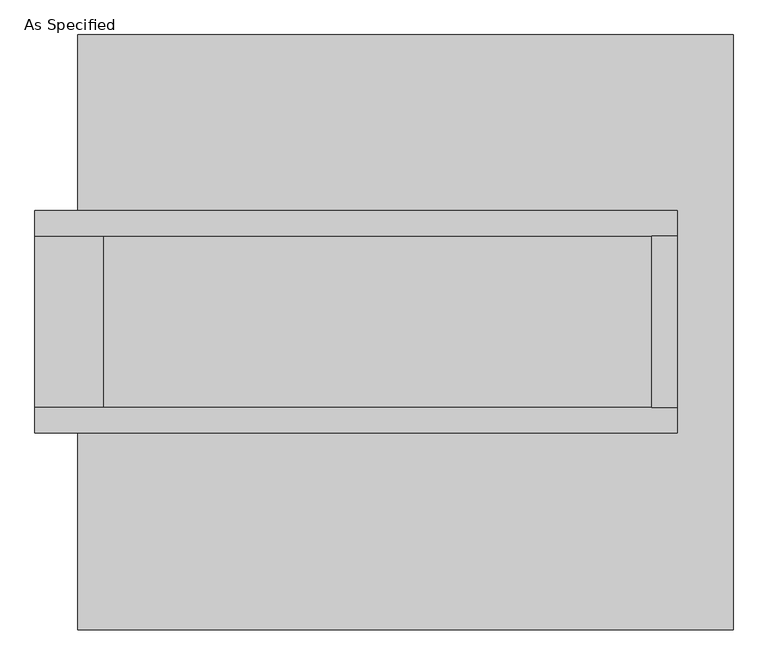
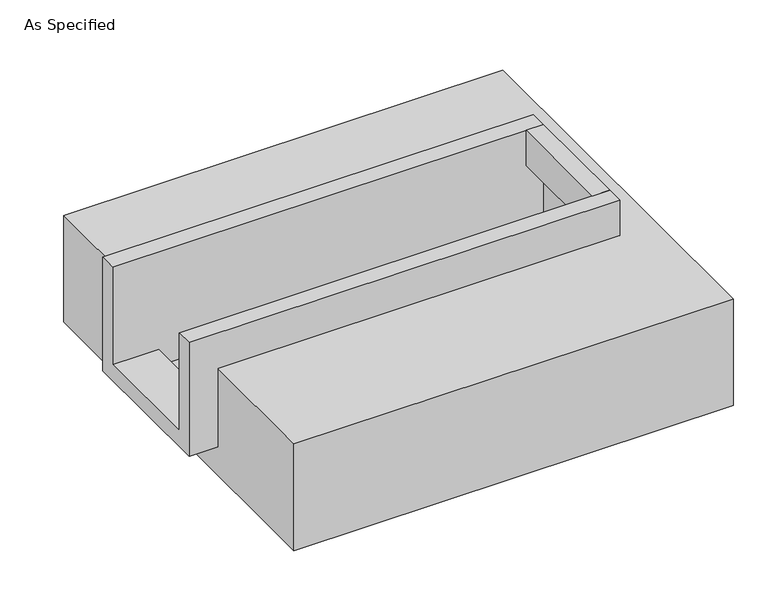
"""IFC4 building model written with IfcOpenShell, lengths in millimetres: proxy geometry, As Specified."""

from ifc_helpers import new_model, si_unit, frame, origin, place, context, project, spatial, polyline, outline, extrude, faceted_brep, source, transform, mapped, element, save


def as_specified_a2c2e3ce(model_context):
    return source(origin(), model_context, "Body", "SolidModel", [
        extrude(outline(polyline([(730.25, 285.75), (806.45, 285.75), (806.45, -222.25), (730.25, -222.25), (730.25, 285.75)])), frame((0.0, 0.0, -25.4), z_axis=(0.0, 0.0, 1.0), x_axis=(1.0, 0.0, 0.0)), (0.0, 0.0, 1.0), 165.1),
        faceted_brep([(806.45, 285.75, 139.7), (806.45, 285.75, -317.5), (806.45, -222.25, -317.5), (806.45, -222.25, 139.7), (806.45, -298.45, 139.7), (806.45, -298.45, -393.7), (806.45, 361.95, -393.7), (806.45, 361.95, 139.7), (-1098.55, 285.75, 139.7), (-1098.55, 361.95, 139.7), (-1098.55, 361.95, -393.7), (-1098.55, -298.45, -393.7), (-1098.55, -298.45, 139.7), (-1098.55, -222.25, 139.7), (-1098.55, -222.25, -317.5), (-1098.55, 285.75, -317.5), (-895.35, 285.75, -393.7), (-895.35, -222.25, -393.7), (730.25, -222.25, -393.7), (730.25, 285.75, -393.7), (730.25, -222.25, -317.5), (-895.35, -222.25, -317.5), (730.25, 285.75, -317.5), (-895.35, 285.75, -317.5)], [[[0, 1, 2, 3, 4, 5, 6, 7]], [[8, 9, 10, 11, 12, 13, 14, 15]], [[0, 7, 9, 8]], [[7, 6, 10, 9]], [[6, 5, 11, 10], [16, 17, 18, 19]], [[4, 3, 13, 12]], [[3, 2, 20, 18, 17, 21, 14, 13]], [[2, 1, 22, 20]], [[15, 14, 21, 23]], [[1, 0, 8, 15, 23, 16, 19, 22]], [[21, 17, 16, 23]], [[18, 20, 22, 19]], [[5, 4, 12, 11]]]),
        faceted_brep([(-971.55, 882.65, -523.9742188), (971.55, 882.65, -523.9742188), (971.55, -882.65, -523.9742188), (-971.55, -882.65, -523.9742188), (971.55, 882.65, -25.4), (-971.55, 882.65, -25.4), (-971.55, 361.95, -25.4), (806.45, 361.95, -25.4), (806.45, -298.45, -25.4), (-971.55, -298.45, -25.4), (-971.55, -882.65, -25.4), (971.55, -882.65, -25.4), (-971.55, -298.45, -393.7), (-971.55, 361.95, -393.7), (806.45, 361.95, -393.7), (806.45, -298.45, -393.7)], [[[0, 1, 2, 3]], [[4, 5, 6, 7, 8, 9, 10, 11]], [[1, 0, 5, 4]], [[5, 0, 3, 10, 9, 12, 13, 6]], [[1, 4, 11, 2]], [[3, 2, 11, 10]], [[14, 15, 8, 7]], [[13, 14, 7, 6]], [[15, 14, 13, 12]], [[15, 12, 9, 8]]]),
    ])


if __name__ == "__main__":
    model = new_model("IFC4")
    model_context = context("Model", 3, world=origin())
    ifc_project = project(units=[si_unit("LENGTHUNIT", "METRE", prefix="MILLI")], contexts=[model_context])
    site = spatial("IfcSite", under=ifc_project)
    building = spatial("IfcBuilding", under=site)
    placement = place(None, origin())
    as_specified_shape = as_specified_a2c2e3ce(model_context)
    element("IfcBuildingElementProxy", 1, Name="As Specified", ObjectType="As Specified", at=placement, inside=building, context=model_context, shape_type="MappedRepresentation", body=[
        mapped(as_specified_shape, transform((0.0, 0.0, 0.0), x_axis=(1.0, 0.0, 0.0), y_axis=(0.0, 1.0, 0.0), z_axis=(0.0, 0.0, 1.0))),
    ])
    save(model, "model.ifc")
